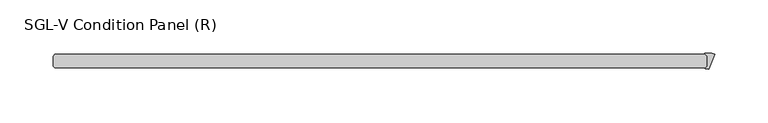
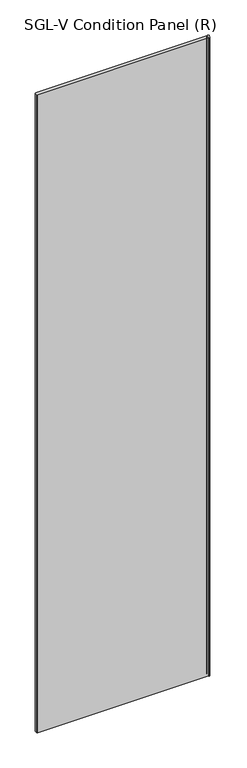
"""IFC4 building model written with IfcOpenShell, lengths in millimetres: plate geometry, SGL-V Condition Panel (R)."""

from ifc_helpers import new_model, si_unit, point, frame_2d, origin, origin_with_axes, place, context, project, spatial, polyline, circle_curve, trimmed, segment, composite_curve, outline, extrude, source, transform, mapped, element, save


def sgl_v_condition_panel_r_bdad0b37(model_context):
    return source(origin(), model_context, "Body", "SweptSolid", [
        extrude(outline(composite_curve([segment(polyline([(299.8469084, -34.925), (299.8469084, -25.4), (297.7677007, -23.3207923)]), True, "CONTINUOUS"), segment(trimmed(circle_curve(frame_2d((298.0483337, -23.0401593)), 0.396875), [point((297.7677007, -23.3207923))], [point((297.9925665, -22.6472219))], False, "CARTESIAN"), True, "CONTINUOUS"), segment(trimmed(circle_curve(frame_2d((300.4755618, -40.1424885)), 17.6705863), [point((297.9925665, -22.6472219))], [point((307.2378024, -23.8169955))], False, "CARTESIAN"), True, "CONTINUOUS"), segment(polyline([(307.2378024, -23.8169955), (301.3908437, -37.9328026)]), True, "CONTINUOUS"), segment(trimmed(circle_curve(frame_2d((298.2456736, -45.525915)), 8.2187257), [point((301.3908437, -37.9328026))], [point((298.4129947, -37.3088927))], True, "CARTESIAN"), True, "CONTINUOUS"), segment(trimmed(circle_curve(frame_2d((298.4210745, -36.9121)), 0.396875), [point((298.4129947, -37.3088927))], [point((298.1404415, -36.6314669))], False, "CARTESIAN"), True, "CONTINUOUS"), segment(polyline([(298.1404415, -36.6314669), (299.8469084, -34.925)]), True, "CONTINUOUS")], self_intersect=False)), origin_with_axes(), (0.0, 0.0, 1.0), 2417.075),
        extrude(outline(polyline([(298.2594084, -23.8125), (299.8469084, -25.4), (299.8469084, -34.925), (298.2594084, -36.5125), (-315.515625, -36.5125), (-317.103125, -34.925), (-317.103125, -25.4), (-315.515625, -23.8125), (298.2594084, -23.8125)])), origin_with_axes(), (0.0, 0.0, 1.0), 2417.075),
    ])


if __name__ == "__main__":
    model = new_model("IFC4")
    model_context = context("Model", 3, world=origin())
    ifc_project = project(units=[si_unit("LENGTHUNIT", "METRE", prefix="MILLI")], contexts=[model_context])
    site = spatial("IfcSite", under=ifc_project)
    building = spatial("IfcBuilding", under=site)
    placement = place(None, origin())
    sgl_v_condition_panel_r_shape = sgl_v_condition_panel_r_bdad0b37(model_context)
    element("IfcPlate", 1, ObjectType="SGL-V Condition Panel (R)", at=placement, inside=building, context=model_context, shape_type="MappedRepresentation", body=[
        mapped(sgl_v_condition_panel_r_shape, transform((0.0, 0.0, 0.0), x_axis=(1.0, 0.0, 0.0), y_axis=(0.0, 1.0, 0.0), z_axis=(0.0, 0.0, 1.0))),
    ])
    save(model, "model.ifc")
